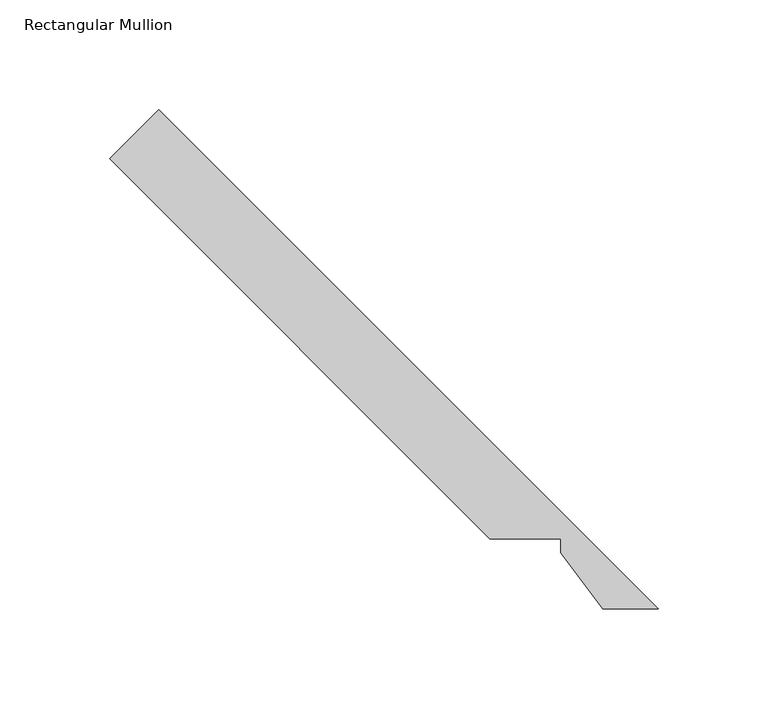
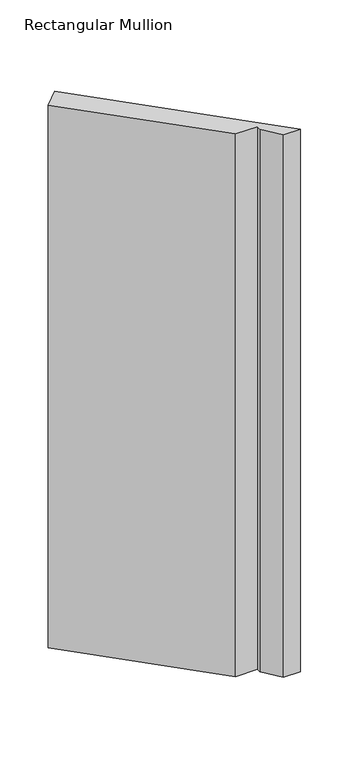
"""IFC4 building model written with IfcOpenShell, lengths in millimetres: member geometry, Rectangular Mullion."""

from ifc_helpers import new_model, si_unit, frame, origin, place, context, project, spatial, polyline, outline, extrude, source, transform, mapped, element, save


def rectangular_mullion_0adadb80(model_context):
    return source(origin(), model_context, "Body", "SweptSolid", [
        extrude(outline(polyline([(-95.7383879, 50.831933), (-269.2113072, 224.3100265), (-246.7593733, 246.7619604), (-18.853481, 18.853481), (-44.1285825, 18.853481), (-63.303481, 44.481933), (-63.303481, 50.831933), (-95.7383879, 50.831933)])), frame((0.0, 0.0, -838.2000002), z_axis=(0.0, 0.0, 1.0), x_axis=(1.0, 0.0, 0.0)), (0.0, 0.0, 1.0), 838.2000002),
    ])


if __name__ == "__main__":
    model = new_model("IFC4")
    model_context = context("Model", 3, world=origin())
    ifc_project = project(units=[si_unit("LENGTHUNIT", "METRE", prefix="MILLI")], contexts=[model_context])
    site = spatial("IfcSite", under=ifc_project)
    building = spatial("IfcBuilding", under=site)
    placement = place(None, origin())
    rectangular_mullion_shape = rectangular_mullion_0adadb80(model_context)
    element("IfcMember", 1, ObjectType="Rectangular Mullion", at=placement, inside=building, context=model_context, shape_type="MappedRepresentation", body=[
        mapped(rectangular_mullion_shape, transform((0.0, 0.0, 0.0), x_axis=(1.0, 0.0, 0.0), y_axis=(0.0, 1.0, 0.0), z_axis=(0.0, 0.0, 1.0))),
    ])
    save(model, "model.ifc")
